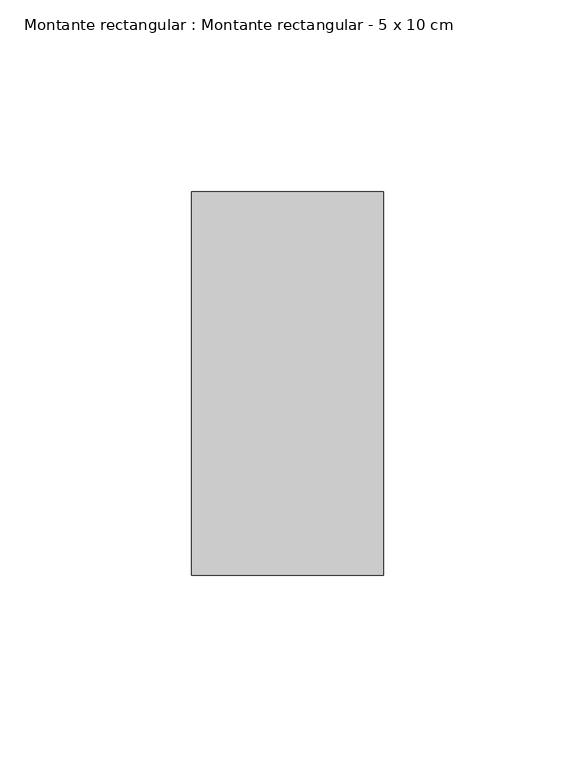
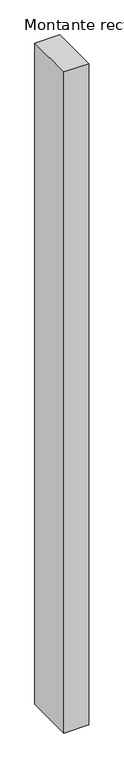
"""IFC4 building model written with IfcOpenShell, lengths in millimetres: member geometry, Montante rectangular : Montante rectangular - 5 x 10 cm."""

from ifc_helpers import new_model, si_unit, frame, origin, place, context, project, spatial, polyline, outline, extrude, source, transform, mapped, element, save


def montante_rectangular_montante_rectangular_5_x_10_cm_d07c84e3(model_context):
    return source(origin(), model_context, "Body", "SweptSolid", [
        extrude(outline(polyline([(-50.0, -50.0), (-50.0, 50.0), (0.0, 50.0), (0.0, -50.0), (-50.0, -50.0)])), frame((0.0, 0.0, -1400.0), z_axis=(0.0, 0.0, 1.0), x_axis=(1.0, 0.0, 0.0)), (0.0, 0.0, 1.0), 1400.0),
    ])


if __name__ == "__main__":
    model = new_model("IFC4")
    model_context = context("Model", 3, world=origin())
    ifc_project = project(units=[si_unit("LENGTHUNIT", "METRE", prefix="MILLI")], contexts=[model_context])
    site = spatial("IfcSite", under=ifc_project)
    building = spatial("IfcBuilding", under=site)
    placement = place(None, origin())
    montante_rectangular_montante_rectangular_5_x_10_cm_shape = montante_rectangular_montante_rectangular_5_x_10_cm_d07c84e3(model_context)
    element("IfcMember", 1, ObjectType="Montante rectangular : Montante rectangular - 5 x 10 cm", at=placement, inside=building, context=model_context, shape_type="MappedRepresentation", body=[
        mapped(montante_rectangular_montante_rectangular_5_x_10_cm_shape, transform((0.0, 0.0, 0.0), x_axis=(1.0, 0.0, 0.0), y_axis=(0.0, 1.0, 0.0), z_axis=(0.0, 0.0, 1.0))),
    ])
    save(model, "model.ifc")
